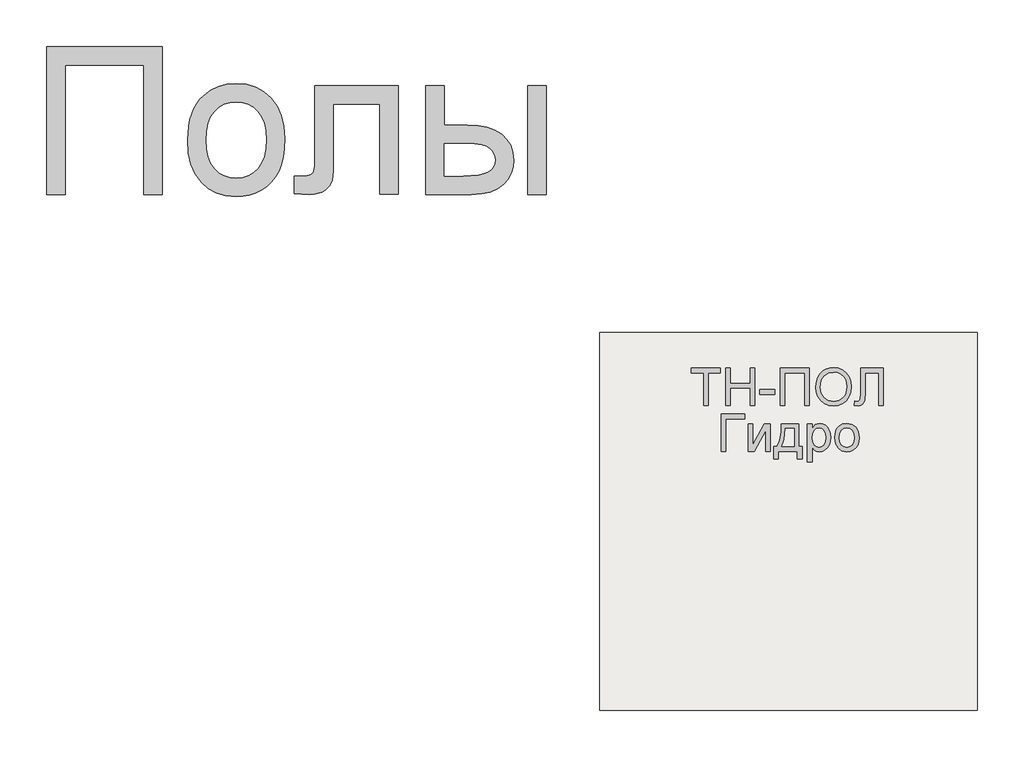
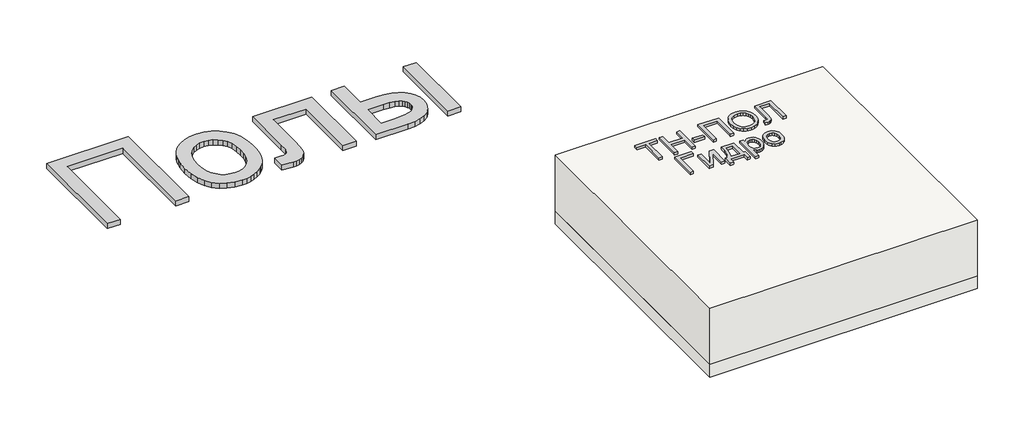
# One storey: 2 proxies, 2 slabs.
"""IFC4 building model written with IfcOpenShell, lengths in millimetres."""

from ifc_helpers import new_model, si_unit, frame, origin, origin_with_axes, place, context, project, spatial, polyline, outline, extrude, element, save

model = new_model("IFC4")

# Units and contexts
model_context = context("Model", 3, world=origin())
ifc_project = project(units=[si_unit("LENGTHUNIT", "METRE", prefix="MILLI")], contexts=[model_context])

# Site, building, storey
site = spatial("IfcSite", under=ifc_project)
building = spatial("IfcBuilding", under=site)
storey = spatial("IfcBuildingStorey", under=building, Elevation=0.0)

# Proxies
placement = place(None, origin())
element("IfcBuildingElementProxy", 1, Name="Generic Models", at=placement, inside=storey, context=model_context, shape_type="SweptSolid", body=[
    extrude(outline(polyline([(-2221.4493901, -14787.7817103), (-1609.328178, -14787.7817103), (-1609.328178, -15571.2968619), (-1707.2675719, -15571.2968619), (-1707.2675719, -14885.7211043), (-2123.5099961, -14885.7211043), (-2123.5099961, -15571.2968619), (-2221.4493901, -15571.2968619), (-2221.4493901, -14787.7817103)])), origin_with_axes(), (0.0, 0.0, 1.0), 40.0),
    extrude(outline(polyline([(-1474.6615113, -15283.5998922), (-1469.3652282, -15209.0813079), (-1462.7448742, -15175.6866287), (-1453.4763787, -15144.8683581), (-1441.5597416, -15116.6264961), (-1426.994963, -15090.9610427), (-1409.7820428, -15067.871998), (-1389.920981, -15047.3593619), (-1352.5959336, -15019.491109), (-1311.3973068, -14999.5852141), (-1266.3251003, -14987.6416772), (-1217.3793143, -14983.6604982), (-1163.3464663, -14988.5084504), (-1114.4903465, -15003.0523069), (-1070.810955, -15027.2920678), (-1032.3082916, -15061.2277331), (-1000.8832798, -15103.7115754), (-978.4368427, -15153.5958675), (-964.9689805, -15210.8806095), (-960.4796931, -15275.5658013), (-962.4643049, -15327.9906355), (-968.4181401, -15374.5094566), (-978.3411988, -15415.1222643), (-992.233481, -15449.8290588), (-1009.921632, -15479.8074561), (-1031.2322973, -15506.2350721), (-1056.1654767, -15529.1119068), (-1084.7211704, -15548.4379603), (-1115.7875175, -15563.7947904), (-1148.2526571, -15574.7639547), (-1182.1165894, -15581.3454532), (-1217.3793143, -15583.5392861), (-1272.2012248, -15578.7092672), (-1321.5116533, -15564.2192103), (-1365.3105998, -15540.0691156), (-1403.5980643, -15506.2589831), (-1434.6883224, -15463.3626763), (-1456.8956496, -15411.9540588), (-1470.2200459, -15352.0331308), (-1474.6615113, -15283.5998922)]), holes=[polyline([(-1376.7221174, -15283.4086043), (-1373.8886657, -15330.9137534), (-1365.3883105, -15372.0466251), (-1351.221052, -15406.8072193), (-1331.3868901, -15435.1955361), (-1307.2607064, -15457.2474419), (-1280.2173825, -15472.9988031), (-1250.2569185, -15482.4496199), (-1217.3793143, -15485.5998922), (-1184.6690871, -15482.4316867), (-1154.828178, -15472.9270702), (-1127.8565871, -15457.0860427), (-1103.7543143, -15434.9086043), (-1083.9201524, -15406.2393335), (-1069.7528939, -15370.9228088), (-1061.2525388, -15328.9590304), (-1058.4190871, -15280.3479982), (-1061.270472, -15234.3492411), (-1069.8246268, -15194.2923638), (-1084.0815515, -15160.1773661), (-1104.0412461, -15132.0042482), (-1128.2331851, -15109.9523424), (-1155.1868427, -15094.2009812), (-1184.9022192, -15084.7501644), (-1217.3793143, -15081.5998922), (-1250.2569185, -15084.7382089), (-1280.2173825, -15094.1531592), (-1307.2607064, -15109.844743), (-1331.3868901, -15131.8129603), (-1351.221052, -15160.1175887), (-1365.3883105, -15194.8184054), (-1373.8886657, -15235.9154106), (-1376.7221174, -15283.4086043)])]), origin_with_axes(), (0.0, 0.0, 1.0), 40.0),
    extrude(outline(polyline([(-801.328178, -14995.9029225), (-360.6009052, -14995.9029225), (-360.6009052, -15570.7229982), (-458.5402992, -15570.7229982), (-458.5402992, -15093.8423164), (-703.388784, -15093.8423164), (-703.388784, -15368.3404225), (-705.038642, -15448.011824), (-709.9882158, -15494.9729982), (-722.350195, -15523.6422691), (-746.2372689, -15548.4379603), (-762.7119374, -15558.4387298), (-782.4863219, -15565.5821365), (-805.5604223, -15569.8681805), (-831.9342386, -15571.2968619), (-911.5099961, -15566.323377), (-911.5099961, -15473.3574679), (-867.7050719, -15473.3574679), (-841.1399677, -15471.8510759), (-823.421928, -15467.3318997), (-812.351142, -15459.5369187), (-805.7277992, -15448.2031119), (-802.4280833, -15420.2989925), (-801.328178, -15362.793074), (-801.328178, -14995.9029225)])), origin_with_axes(), (0.0, 0.0, 1.0), 40.0),
    extrude(outline(polyline([(-213.6918143, -14995.9029225), (-115.7524204, -14995.9029225), (-115.7524204, -15204.0241346), (5.3328069, -15204.0241346), (61.0513793, -15207.0907184), (109.9911876, -15216.2904698), (152.1522316, -15231.6233888), (187.5345114, -15253.0894755), (215.5282969, -15279.9474892), (235.523858, -15311.4561895), (247.5211947, -15347.6155763), (251.5203069, -15388.4256497), (248.1667913, -15424.8361019), (238.1062444, -15458.5087463), (221.3386663, -15489.443583), (197.8640569, -15517.6406119), (167.0248642, -15541.1152212), (128.1635361, -15557.8827994), (81.2800725, -15567.9433462), (26.3744736, -15571.2968619), (-213.6918143, -15571.2968619), (-213.6918143, -14995.9029225)]), holes=[polyline([(-115.7524204, -15473.3574679), (-15.1349961, -15473.3574679), (62.8626364, -15468.2166062), (92.0699044, -15461.790529), (114.7494736, -15452.794021), (131.7382283, -15441.0716606), (143.8730531, -15426.4680266), (151.153948, -15408.983119), (153.5809129, -15388.6169376), (151.7816113, -15372.1542245), (146.3837065, -15356.6240399), (137.3871985, -15342.0263836), (124.7920872, -15328.3612558), (106.0518528, -15316.8122501), (78.6199754, -15308.5629603), (42.4964551, -15303.6133865), (-2.3187083, -15301.9635285), (-115.7524204, -15301.9635285), (-115.7524204, -15473.3574679)])]), origin_with_axes(), (0.0, 0.0, 1.0), 40.0),
    extrude(outline(polyline([(324.9748523, -14995.9029225), (422.9142463, -14995.9029225), (422.9142463, -15571.2968619), (324.9748523, -15571.2968619), (324.9748523, -14995.9029225)])), origin_with_axes(), (0.0, 0.0, 1.0), 40.0),
])
element("IfcBuildingElementProxy", 2, Name="Generic Models", at=placement, inside=storey, context=model_context, shape_type="SweptSolid", body=[
    extrude(outline(polyline([(1256.8186644, -16688.792124), (1256.8186644, -16516.4844317), (1192.2032798, -16516.4844317), (1192.2032798, -16491.8690471), (1346.0494336, -16491.8690471), (1346.0494336, -16516.4844317), (1281.434049, -16516.4844317), (1281.434049, -16688.792124), (1256.8186644, -16688.792124)])), origin_with_axes(), (0.0, 0.0, 1.0), 20.0),
    extrude(outline(polyline([(1373.7417413, -16688.792124), (1373.7417413, -16491.8690471), (1398.3571259, -16491.8690471), (1398.3571259, -16571.8690471), (1502.9725106, -16571.8690471), (1502.9725106, -16491.8690471), (1527.5878952, -16491.8690471), (1527.5878952, -16688.792124), (1502.9725106, -16688.792124), (1502.9725106, -16596.4844317), (1398.3571259, -16596.4844317), (1398.3571259, -16688.792124), (1373.7417413, -16688.792124)])), origin_with_axes(), (0.0, 0.0, 1.0), 20.0),
    extrude(outline(polyline([(1555.2802029, -16630.3305856), (1555.2802029, -16605.7152009), (1632.2032798, -16605.7152009), (1632.2032798, -16630.3305856), (1555.2802029, -16630.3305856)])), origin_with_axes(), (0.0, 0.0, 1.0), 20.0),
    extrude(outline(polyline([(1662.9725106, -16491.8690471), (1816.8186644, -16491.8690471), (1816.8186644, -16688.792124), (1792.2032798, -16688.792124), (1792.2032798, -16516.4844317), (1687.5878952, -16516.4844317), (1687.5878952, -16688.792124), (1662.9725106, -16688.792124), (1662.9725106, -16491.8690471)])), origin_with_axes(), (0.0, 0.0, 1.0), 20.0),
    extrude(outline(polyline([(1850.6648182, -16592.9267394), (1852.3054432, -16569.8287827), (1857.2273182, -16549.3810663), (1865.4304432, -16531.5835904), (1876.9148182, -16516.4363548), (1890.9923423, -16504.3420038), (1906.9749144, -16495.7031817), (1924.8625346, -16490.5198884), (1944.6552029, -16488.792124), (1970.4845298, -16492.0373163), (1993.6455875, -16501.7728932), (2012.8763567, -16517.3137586), (2026.9148182, -16537.9748163), (2035.496549, -16562.7584702), (2038.3571259, -16590.667124), (2035.3463086, -16618.948374), (2026.3138567, -16644.0805856), (2011.7585682, -16664.7777009), (1992.1792413, -16679.7536625), (1969.2165009, -16688.8402009), (1944.5109721, -16691.8690471), (1918.2850106, -16688.5216913), (1894.9917413, -16678.479624), (1875.809049, -16662.6502971), (1861.9148182, -16641.9411625), (1853.4773182, -16618.1130375), (1850.6648182, -16592.9267394)]), holes=[polyline([(1875.2802029, -16593.167124), (1880.2020779, -16623.9724125), (1894.9677029, -16647.4459702), (1917.1612125, -16662.3017394), (1944.3667413, -16667.2536625), (1971.9689048, -16662.2536625), (1994.1984721, -16647.2536625), (2002.7486524, -16636.2049846), (2008.855924, -16623.0589509), (2013.7417413, -16590.4748163), (2011.6503952, -16568.6839509), (2005.3763567, -16549.8498163), (1995.0818856, -16534.4471721), (1980.9292413, -16522.9507779), (1963.855924, -16515.7933259), (1944.7994336, -16513.4075086), (1918.3210682, -16518.0048644), (1895.809049, -16531.7969317), (1886.8276788, -16542.5286024), (1880.4124144, -16556.3341913), (1875.2802029, -16593.167124)])]), origin_with_axes(), (0.0, 0.0, 1.0), 20.0),
    extrude(outline(polyline([(2087.5878952, -16491.8690471), (2207.5878952, -16491.8690471), (2207.5878952, -16688.792124), (2182.9725106, -16688.792124), (2182.9725106, -16516.4844317), (2112.2032798, -16516.4844317), (2112.2032798, -16616.9652009), (2109.3427029, -16661.7969317), (2104.9136163, -16674.4652009), (2097.3475106, -16683.9603932), (2086.9869336, -16689.8918836), (2074.1744336, -16691.8690471), (2053.7417413, -16688.792124), (2056.8186644, -16664.1767394), (2068.5975106, -16667.2536625), (2076.9208279, -16665.6010182), (2082.8523182, -16660.6430856), (2086.4040009, -16649.5553452), (2087.5878952, -16629.5132779), (2087.5878952, -16491.8690471)])), origin_with_axes(), (0.0, 0.0, 1.0), 20.0),
    extrude(outline(polyline([(1350.6648182, -16734.9459702), (1473.7417413, -16734.9459702), (1473.7417413, -16759.5613548), (1375.2802029, -16759.5613548), (1375.2802029, -16931.8690471), (1350.6648182, -16931.8690471), (1350.6648182, -16734.9459702)])), origin_with_axes(), (0.0, 0.0, 1.0), 20.0),
    extrude(outline(polyline([(1492.2032798, -16787.2536625), (1516.8186644, -16787.2536625), (1516.8186644, -16897.542124), (1577.2994336, -16787.2536625), (1609.1263567, -16787.2536625), (1609.1263567, -16931.8690471), (1584.5109721, -16931.8690471), (1584.5109721, -16822.2536625), (1524.4148182, -16931.8690471), (1492.2032798, -16931.8690471), (1492.2032798, -16787.2536625)])), origin_with_axes(), (0.0, 0.0, 1.0), 20.0),
    extrude(outline(polyline([(1667.5878952, -16787.2536625), (1759.8955875, -16787.2536625), (1759.8955875, -16907.2536625), (1778.3571259, -16907.2536625), (1778.3571259, -16971.8690471), (1753.7417413, -16971.8690471), (1753.7417413, -16931.8690471), (1652.2032798, -16931.8690471), (1652.2032798, -16971.8690471), (1627.5878952, -16971.8690471), (1627.5878952, -16907.2536625), (1642.9725106, -16907.2536625), (1654.1564048, -16887.0433259), (1661.9869336, -16860.3065471), (1666.4640971, -16827.0433259), (1667.5878952, -16787.2536625)]), holes=[polyline([(1689.1263567, -16811.8690471), (1683.3571259, -16867.9507779), (1670.6648182, -16907.2536625), (1735.2802029, -16907.2536625), (1735.2802029, -16811.8690471), (1689.1263567, -16811.8690471)])]), origin_with_axes(), (0.0, 0.0, 1.0), 20.0),
    extrude(outline(polyline([(1806.0494336, -16987.2536625), (1806.0494336, -16787.2536625), (1830.6648182, -16787.2536625), (1830.6648182, -16811.3882779), (1847.684049, -16790.979624), (1858.1648182, -16785.8774606), (1870.6648182, -16784.1767394), (1887.3114529, -16786.5565471), (1901.8667413, -16793.6959702), (1913.7177029, -16805.1623163), (1922.2513567, -16820.5228932), (1927.4076067, -16838.6599125), (1929.1263567, -16858.4555856), (1927.1852509, -16879.5072682), (1921.3619336, -16898.3353932), (1911.8427029, -16913.9844317), (1898.8138567, -16925.4988548), (1883.6395779, -16932.5841913), (1867.684049, -16934.9459702), (1856.3679432, -16933.3654413), (1846.2657798, -16928.6238548), (1830.6648182, -16912.6382779), (1830.6648182, -16987.2536625), (1806.0494336, -16987.2536625)]), holes=[polyline([(1830.6648182, -16860.7152009), (1833.3270779, -16882.7825086), (1841.3138567, -16898.2152009), (1853.0987125, -16907.3017394), (1867.1552029, -16910.3305856), (1881.4400586, -16907.1935663), (1893.5253952, -16897.7825086), (1901.7645779, -16881.7849125), (1904.5109721, -16858.8882779), (1901.8306836, -16836.9411625), (1893.7898182, -16821.292124), (1882.0229913, -16811.917124), (1868.1648182, -16808.792124), (1854.2525586, -16812.1154413), (1842.0350106, -16822.0853932), (1833.5073663, -16838.3894798), (1830.6648182, -16860.7152009)])]), origin_with_axes(), (0.0, 0.0, 1.0), 20.0),
    extrude(outline(polyline([(1950.6648182, -16859.5613548), (1955.9893375, -16824.6935663), (1962.6449865, -16811.1448884), (1971.9628952, -16800.1863548), (1991.6984721, -16788.1791432), (2015.3282798, -16784.1767394), (2041.1876548, -16789.0505375), (2061.8427029, -16803.6719317), (2075.3823663, -16826.8870759), (2079.8955875, -16857.542124), (2077.9003952, -16882.4099125), (2071.9148182, -16901.3402009), (2062.1131356, -16915.5168836), (2048.6696259, -16926.1238548), (2032.7020779, -16932.7404413), (2015.3282798, -16934.9459702), (1989.1564048, -16930.0902009), (1968.5253952, -16915.5228932), (1955.1299625, -16891.8209702), (1950.6648182, -16859.5613548)]), holes=[polyline([(1975.2802029, -16859.5132779), (1978.1287606, -16881.7909221), (1986.6744336, -16897.6623163), (1999.5350106, -16907.1635182), (2015.3282798, -16910.3305856), (2031.0494336, -16907.1454894), (2043.8859721, -16897.5902009), (2052.4316452, -16881.5084702), (2055.2802029, -16858.7440471), (2052.4136163, -16837.1154413), (2043.8138567, -16821.4603932), (2030.9592894, -16811.9591913), (2015.3282798, -16808.792124), (1999.5350106, -16811.9471721), (1986.6744336, -16821.4123163), (1978.1287606, -16837.2476529), (1975.2802029, -16859.5132779)])]), origin_with_axes(), (0.0, 0.0, 1.0), 20.0),
])

# Slabs
element("IfcSlab", 3, at=placement, inside=storey, context=model_context, shape_type="SweptSolid", body=[
    extrude(outline(polyline([(2706.3955952, -16302.6148653), (2706.3955952, -18302.6148653), (706.3955952, -18302.6148653), (706.3955952, -16302.6148653), (2706.3955952, -16302.6148653)])), frame((0.0, 0.0, -443.0), z_axis=(0.0, 0.0, 1.0), x_axis=(1.0, 0.0, 0.0)), (0.0, 0.0, 1.0), 443.0),
])
element("IfcSlab", 4, at=placement, inside=storey, context=model_context, shape_type="SweptSolid", body=[
    extrude(outline(polyline([(2706.3955952, -16302.6148653), (2706.3955952, -18302.6148653), (706.3955952, -18302.6148653), (706.3955952, -16302.6148653), (2706.3955952, -16302.6148653)])), frame((0.0, 0.0, -543.0), z_axis=(0.0, 0.0, 1.0), x_axis=(1.0, 0.0, 0.0)), (0.0, 0.0, 1.0), 100.0),
])

save(model, "model.ifc")
